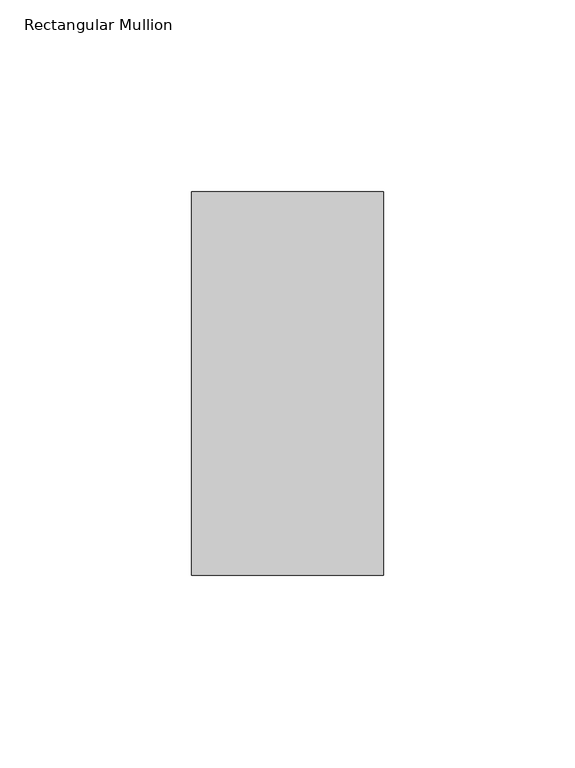
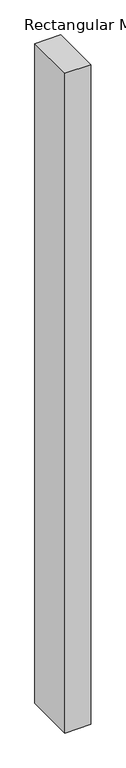
"""IFC4 building model written with IfcOpenShell, lengths in millimetres: member geometry, Rectangular Mullion."""

from ifc_helpers import new_model, si_unit, frame, origin, place, context, project, spatial, polyline, outline, extrude, source, transform, mapped, element, save


def rectangular_mullion_067f4839(model_context):
    return source(origin(), model_context, "Body", "SweptSolid", [
        extrude(outline(polyline([(0.0, 69.0), (0.0, -31.0), (-50.0, -31.0), (-50.0, 69.0), (0.0, 69.0)])), frame((0.0, 0.0, -1340.0), z_axis=(0.0, 0.0, 1.0), x_axis=(1.0, 0.0, 0.0)), (0.0, 0.0, 1.0), 1340.0),
    ])


if __name__ == "__main__":
    model = new_model("IFC4")
    model_context = context("Model", 3, world=origin())
    ifc_project = project(units=[si_unit("LENGTHUNIT", "METRE", prefix="MILLI")], contexts=[model_context])
    site = spatial("IfcSite", under=ifc_project)
    building = spatial("IfcBuilding", under=site)
    placement = place(None, origin())
    rectangular_mullion_shape = rectangular_mullion_067f4839(model_context)
    element("IfcMember", 1, ObjectType="Rectangular Mullion", at=placement, inside=building, context=model_context, shape_type="MappedRepresentation", body=[
        mapped(rectangular_mullion_shape, transform((0.0, 0.0, 0.0), x_axis=(1.0, 0.0, 0.0), y_axis=(0.0, 1.0, 0.0), z_axis=(0.0, 0.0, 1.0))),
    ])
    save(model, "model.ifc")
